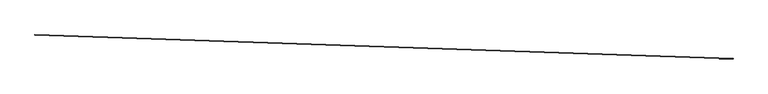
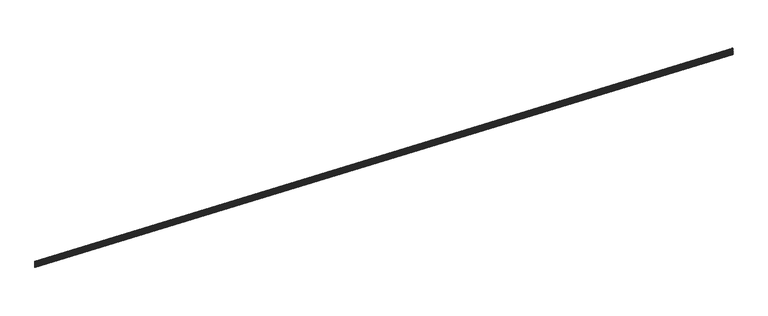
"""IFC4 building model written with IfcOpenShell, lengths in millimetres: proxy geometry."""

from ifc_helpers import new_model, si_unit, frame, origin, place, context, project, spatial, polyline, outline, extrude, source, transform, mapped, element, save


def generic_models_ffdaa853(model_context):
    return source(origin(), model_context, "Body", "SweptSolid", [
        extrude(outline(polyline([(-3.1749993, 0.0), (0.0, 0.0), (0.0, 12.7), (5.4236225, 15.2290767), (5.4236225, 19.6959233), (-1e-07, 22.225), (-1e-07, 31.75), (3.1749999, 31.75), (3.1749999, 24.247698), (9.2139906, 21.4316705), (9.2139906, 13.4933295), (3.175, 10.6773019), (3.175, -3.175), (1e-07, -3.175), (1e-07, -34.13125), (9.5250002, -34.13125), (9.5250002, -37.30625), (3e-07, -37.30625), (3e-07, -59.5312499), (9.5250003, -59.5312499), (9.5250003, -62.70625), (4e-07, -62.70625), (4e-07, -84.9312499), (9.5250004, -84.9312499), (9.5250004, -88.10625), (6e-07, -88.10625), (6e-07, -113.50625), (8.8104391, -113.50625), (8.8104391, -123.03125), (4.9129911, -123.03125), (4.9129911, -116.68125), (7e-07, -116.68125), (7e-07, -133.35), (-3.1749993, -133.35), (-3.1749993, 0.0)])), frame((34377.09634, -14812.3976044, 3782.3824341), z_axis=(-0.9994149475908112, 0.03420179135741461, 0.0), x_axis=(-0.03420179135741461, -0.9994149475908112, 0.0)), (0.0, 0.0, 1.0), 17068.8),
    ])


if __name__ == "__main__":
    model = new_model("IFC4")
    model_context = context("Model", 3, world=origin())
    ifc_project = project(units=[si_unit("LENGTHUNIT", "METRE", prefix="MILLI")], contexts=[model_context])
    site = spatial("IfcSite", under=ifc_project)
    building = spatial("IfcBuilding", under=site)
    placement = place(None, origin())
    generic_models_shape = generic_models_ffdaa853(model_context)
    element("IfcBuildingElementProxy", 1, Name="Generic Models", at=placement, inside=building, context=model_context, shape_type="MappedRepresentation", body=[
        mapped(generic_models_shape, transform((0.0, 0.0, 0.0), x_axis=(1.0, 0.0, 0.0), y_axis=(0.0, 1.0, 0.0), z_axis=(0.0, 0.0, 1.0))),
    ])
    save(model, "model.ifc")
